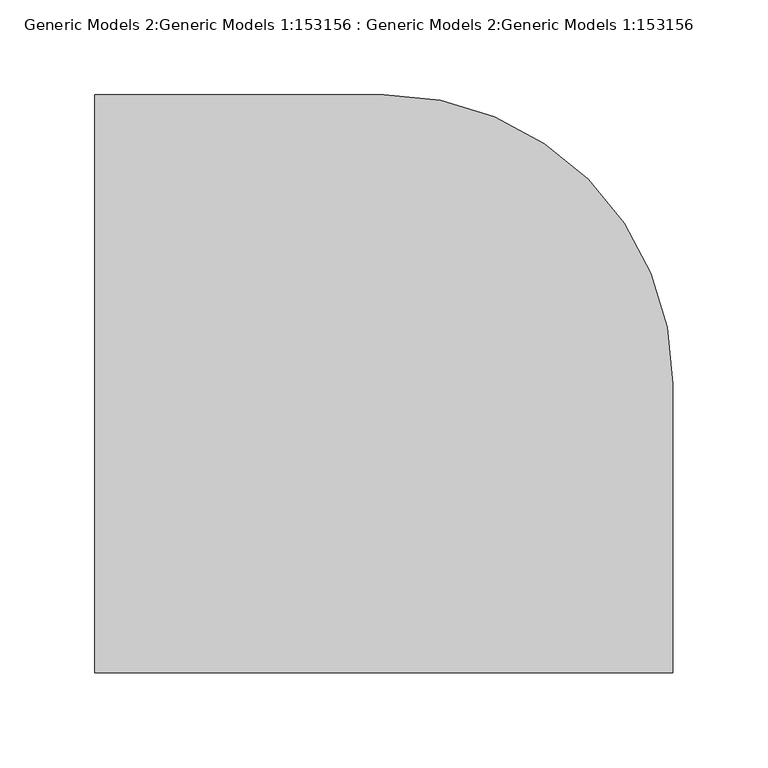
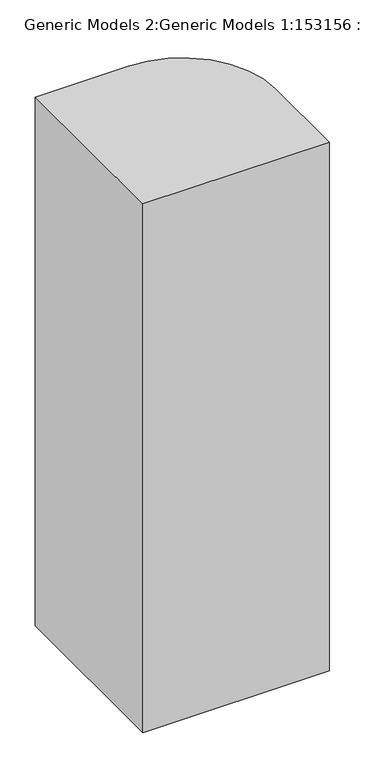
"""IFC4 building model written with IfcOpenShell, lengths in millimetres: proxy geometry, Generic Models 2:Generic Models 1:153156 : Generic Models 2:Generic Models 1:153156."""

from ifc_helpers import new_model, si_unit, point, origin, origin_with_axes, origin_2d, place, context, project, spatial, polyline, circle_curve, trimmed, segment, composite_curve, outline, extrude, source, transform, mapped, element, save


def generic_models_2_generic_models_1_153156_generic_models_2_6ba4d730(model_context):
    return source(origin(), model_context, "Body", "SweptSolid", [
        extrude(outline(composite_curve([segment(polyline([(-152.4, -152.4), (-152.4, 152.4), (0.0, 152.4)]), True, "CONTINUOUS"), segment(trimmed(circle_curve(origin_2d(), 152.4), [point((0.0, 152.4))], [point((152.4, 0.0))], False, "CARTESIAN"), True, "CONTINUOUS"), segment(polyline([(152.4, 0.0), (152.4, -152.4), (-152.4, -152.4)]), True, "CONTINUOUS")], self_intersect=False)), origin_with_axes(), (0.0, 0.0, 1.0), 914.4),
    ])


if __name__ == "__main__":
    model = new_model("IFC4")
    model_context = context("Model", 3, world=origin())
    ifc_project = project(units=[si_unit("LENGTHUNIT", "METRE", prefix="MILLI")], contexts=[model_context])
    site = spatial("IfcSite", under=ifc_project)
    building = spatial("IfcBuilding", under=site)
    placement = place(None, origin())
    generic_models_2_generic_models_1_153156_generic_models_2_shape = generic_models_2_generic_models_1_153156_generic_models_2_6ba4d730(model_context)
    element("IfcBuildingElementProxy", 1, Name="Generic Models 2:Generic Models 1:153156 : Generic Models 2:Generic Models 1:153156", ObjectType="Generic Models 2:Generic Models 1:153156 : Generic Models 2:Generic Models 1:153156", at=placement, inside=building, context=model_context, shape_type="MappedRepresentation", body=[
        mapped(generic_models_2_generic_models_1_153156_generic_models_2_shape, transform((0.0, 0.0, 0.0), x_axis=(1.0, 0.0, 0.0), y_axis=(0.0, 1.0, 0.0), z_axis=(0.0, 0.0, 1.0))),
    ])
    save(model, "model.ifc")
